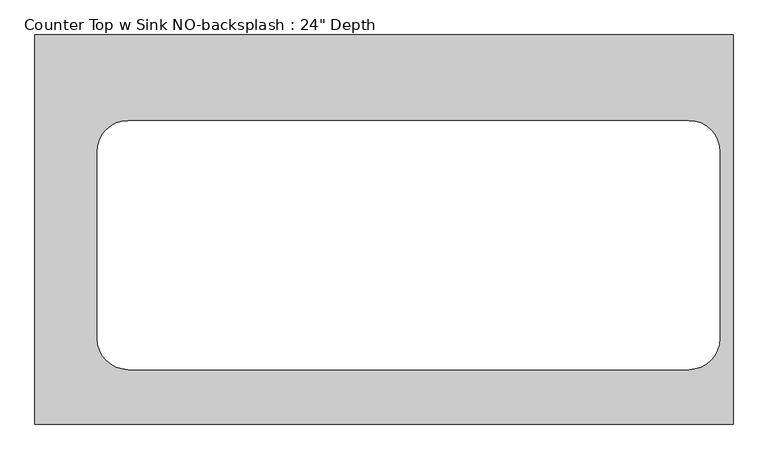
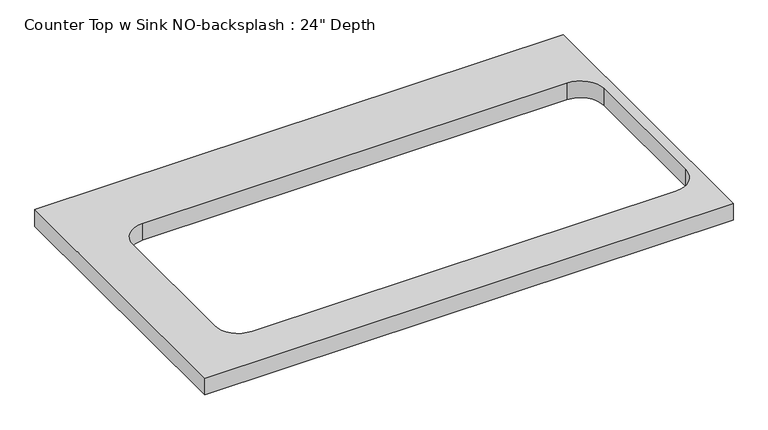
"""IFC4 building model written with IfcOpenShell, lengths in millimetres: furniture geometry."""

from ifc_helpers import new_model, si_unit, point, frame, frame_2d, origin, place, context, project, spatial, polyline, circle_curve, trimmed, segment, composite_curve, outline, extrude, source, transform, mapped, element, save


def furniture_e83238b4(model_context):
    return source(origin(), model_context, "Body", "SweptSolid", [
        extrude(outline(polyline([(-61.2491903, 0.0), (-61.2491903, -635.0), (-1200.4622951, -635.0), (-1200.4622951, 0.0), (-61.2491903, 0.0)]), holes=[composite_curve([segment(polyline([(-133.6622951, -139.7), (-1048.0622951, -139.7)]), True, "CONTINUOUS"), segment(trimmed(circle_curve(frame_2d((-1048.0622951, -190.5)), 50.8), [point((-1048.0622951, -139.7))], [point((-1098.8622951, -190.5))], True, "CARTESIAN"), True, "CONTINUOUS"), segment(polyline([(-1098.8622951, -190.5), (-1098.8622951, -495.3)]), True, "CONTINUOUS"), segment(trimmed(circle_curve(frame_2d((-1048.0622951, -495.3)), 50.8), [point((-1098.8622951, -495.3))], [point((-1048.0622951, -546.1))], True, "CARTESIAN"), True, "CONTINUOUS"), segment(polyline([(-1048.0622951, -546.1), (-133.6622951, -546.1)]), True, "CONTINUOUS"), segment(trimmed(circle_curve(frame_2d((-133.6622951, -495.3)), 50.8), [point((-133.6622951, -546.1))], [point((-82.8622951, -495.3))], True, "CARTESIAN"), True, "CONTINUOUS"), segment(polyline([(-82.8622951, -495.3), (-82.8622951, -190.5)]), True, "CONTINUOUS"), segment(trimmed(circle_curve(frame_2d((-133.6622951, -190.5)), 50.8), [point((-82.8622951, -190.5))], [point((-133.6622951, -139.7))], True, "CARTESIAN"), True, "CONTINUOUS")], self_intersect=False)]), frame((0.0, 0.0, 876.3), z_axis=(0.0, 0.0, 1.0), x_axis=(1.0, 0.0, 0.0)), (0.0, 0.0, 1.0), 38.1),
    ])


if __name__ == "__main__":
    model = new_model("IFC4")
    model_context = context("Model", 3, world=origin())
    ifc_project = project(units=[si_unit("LENGTHUNIT", "METRE", prefix="MILLI")], contexts=[model_context])
    site = spatial("IfcSite", under=ifc_project)
    building = spatial("IfcBuilding", under=site)
    placement = place(None, origin())
    furniture_shape = furniture_e83238b4(model_context)
    element("IfcFurniture", 1, ObjectType="Counter Top w Sink NO-backsplash : 24\" Depth", at=placement, inside=building, context=model_context, shape_type="MappedRepresentation", body=[
        mapped(furniture_shape, transform((0.0, 0.0, 0.0), x_axis=(1.0, 0.0, 0.0), y_axis=(0.0, 1.0, 0.0), z_axis=(0.0, 0.0, 1.0))),
    ])
    save(model, "model.ifc")
